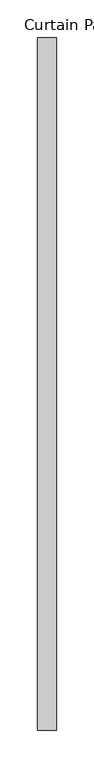
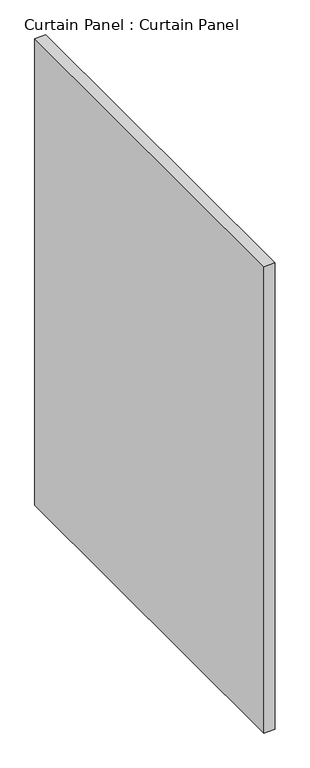
"""IFC4 building model written with IfcOpenShell, lengths in millimetres: plate geometry, Curtain Panel : Curtain Panel."""

from ifc_helpers import new_model, si_unit, frame, origin, place, context, project, spatial, polyline, outline, extrude, source, transform, mapped, element, save


def curtain_panel_curtain_panel_9ffeecc0(model_context):
    return source(origin(), model_context, "Body", "SweptSolid", [
        extrude(outline(polyline([(-35292.8444373, -1025.4148513), (-35292.8444373, -1945.7135702), (-35318.2444373, -1945.7135702), (-35318.2444373, -1025.4148513), (-35292.8444373, -1025.4148513)])), frame((0.0, 0.0, 1767.7863442), z_axis=(0.0, 0.0, 1.0), x_axis=(1.0, 0.0, 0.0)), (0.0, 0.0, 1.0), 1141.8873856),
    ])


if __name__ == "__main__":
    model = new_model("IFC4")
    model_context = context("Model", 3, world=origin())
    ifc_project = project(units=[si_unit("LENGTHUNIT", "METRE", prefix="MILLI")], contexts=[model_context])
    site = spatial("IfcSite", under=ifc_project)
    building = spatial("IfcBuilding", under=site)
    placement = place(None, origin())
    curtain_panel_curtain_panel_shape = curtain_panel_curtain_panel_9ffeecc0(model_context)
    element("IfcPlate", 1, ObjectType="Curtain Panel : Curtain Panel", at=placement, inside=building, context=model_context, shape_type="MappedRepresentation", body=[
        mapped(curtain_panel_curtain_panel_shape, transform((0.0, 0.0, 0.0), x_axis=(1.0, 0.0, 0.0), y_axis=(0.0, 1.0, 0.0), z_axis=(0.0, 0.0, 1.0))),
    ])
    save(model, "model.ifc")
